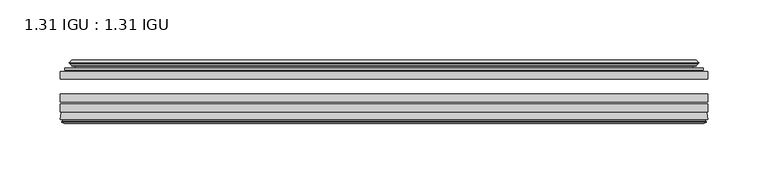
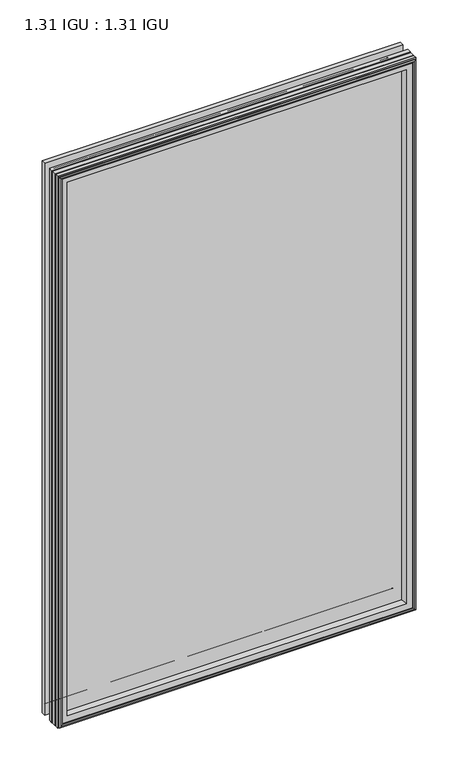
"""IFC4 building model written with IfcOpenShell, lengths in millimetres: plate geometry, 1.31 IGU : 1.31 IGU."""

from ifc_helpers import new_model, si_unit, frame, origin, place, context, project, spatial, polyline, ellipse_curve, outline, extrude, source, transform, mapped, element, save
from ifc_brep_helpers import plane_surface, cylinder_surface, revolved_surface, advanced_brep


def plate_1_31_igu_1_31_igu_f85e6aec(model_context):
    return source(origin(), model_context, "Body", "SolidModel", [
        extrude(outline(polyline([(268.2193626, -51.7723437), (268.2193626, -58.1223438), (-268.2863094, -58.1223438), (-268.2863094, -51.7723437), (268.2193626, -51.7723437)])), frame((0.0, 0.0, -14.2875), z_axis=(0.0, 0.0, 1.0), x_axis=(1.0, 0.0, 0.0)), (0.0, 0.0, 1.0), 873.125),
        extrude(outline(polyline([(-268.2863094, -85.4273438), (-268.2863094, -79.0773437), (268.2193626, -79.0773437), (268.2193626, -85.4273438), (-268.2863094, -85.4273438)])), frame((0.0, 0.0, -14.2875), z_axis=(0.0, 0.0, 1.0), x_axis=(1.0, 0.0, 0.0)), (0.0, 0.0, 1.0), 873.125),
        extrude(outline(polyline([(-268.2863094, -77.1723438), (-268.2863094, -70.8223438), (268.2193626, -70.8223438), (268.2193626, -77.1723438), (-268.2863094, -77.1723438)])), frame((0.0, 0.0, -14.2875), z_axis=(0.0, 0.0, 1.0), x_axis=(1.0, 0.0, 0.0)), (0.0, 0.0, 1.0), 873.125),
        advanced_brep(
        [(-268.2990094, -91.7773437, 858.8502), (-267.6042256, -86.1187838, 858.1554162), (-267.6042256, -86.1187838, -13.6054162), (-268.2990094, -91.7773437, -14.3002), (-265.9114094, -93.768408, 856.4626), (-266.3686094, -91.7773437, 856.9198), (-266.3686094, -91.7773437, -12.3698), (-265.9114094, -93.768408, -11.9126), (-266.9127712, -93.5000939, 857.4639619), (-266.9127712, -93.5000939, -12.9139619), (-267.1560094, -94.407871, 857.7072), (-267.1560094, -94.407871, -13.1572), (-265.1240094, -94.9523437, 855.6752), (-265.1240094, -94.9523437, -11.1252), (-263.0920094, -94.407871, 853.6432), (-263.0920094, -94.407871, -9.0932), (-263.3352475, -93.5000939, 853.8864381), (-263.3352475, -93.5000939, -9.3364381), (-264.3366094, -93.768408, 854.8878), (-264.3366094, -93.768408, -10.3378), (-263.8794094, -91.7773437, 854.4306), (-263.8794094, -91.7773437, -9.8806), (-249.8097879, -85.4273437, 840.3609786), (-253.9988094, -91.7773437, 844.55), (-253.9988094, -91.7773437, 0.0), (-249.8097879, -85.4273437, 4.1890214), (-266.8226947, -85.4273437, 857.3738854), (-266.8226947, -85.4273437, -12.8238854), (267.6042256, -86.1187838, -13.6054162), (268.2990094, -91.7773437, -14.3002), (266.3686094, -91.7773437, -12.3698), (265.9114094, -93.768408, -11.9126), (266.9127712, -93.5000939, -12.9139619), (267.1560094, -94.407871, -13.1572), (265.1240094, -94.9523437, -11.1252), (263.0920094, -94.407871, -9.0932), (263.3352475, -93.5000939, -9.3364381), (264.3366094, -93.768408, -10.3378), (263.8794094, -91.7773437, -9.8806), (253.9988094, -91.7773437, 0.0), (249.8097879, -85.4273437, 4.1890214), (266.8226947, -85.4273437, -12.8238854), (267.6042256, -86.1187838, 858.1554162), (268.2990094, -91.7773437, 858.8502), (266.3686094, -91.7773437, 856.9198), (265.9114094, -93.768408, 856.4626), (266.9127712, -93.5000939, 857.4639619), (267.1560094, -94.407871, 857.7072), (265.1240094, -94.9523437, 855.6752), (263.0920094, -94.407871, 853.6432), (263.3352475, -93.5000939, 853.8864381), (264.3366094, -93.768408, 854.8878), (263.8794094, -91.7773437, 854.4306), (253.9988094, -91.7773437, 844.55), (249.8097879, -85.4273437, 840.3609786), (266.8226947, -85.4273437, 857.3738854)],
        [
            (0, 1),
            (1, 2),
            (2, 3),
            (3, 0),
            (4, 5),
            (5, 6),
            (6, 7),
            (7, 4),
            (8, 4),
            (7, 9),
            (9, 8),
            (10, 8),
            (9, 11),
            (11, 10),
            (12, 10),
            (11, 13),
            (13, 12),
            (14, 12),
            (13, 15),
            (15, 14),
            (16, 14),
            (15, 17),
            (17, 16),
            (18, 16),
            (17, 19),
            (19, 18),
            (20, 18),
            (19, 21),
            (21, 20),
            (22, 23, ellipse_curve(frame((-247.0149154, -91.8278132, 837.566106), z_axis=(0.7071067811865475, 0.0, 0.7071067811865475), x_axis=(0.7071067811865474, 0.0, -0.7071067811865476)), 9.8769754, 6.9840763)),
            (23, 24),
            (24, 25, ellipse_curve(frame((-247.0149154, -91.8278132, 6.983894), z_axis=(0.7071067811865475, 0.0, -0.7071067811865475), x_axis=(-0.7071067811865474, 0.0, -0.7071067811865476)), 9.8769754, 6.9840763)),
            (25, 22),
            (1, 26, ellipse_curve(frame((-266.8226947, -86.2147437, 857.3738854), z_axis=(-0.7071067811865475, 0.0, -0.7071067811865475), x_axis=(-0.7071067811865474, 0.0, 0.7071067811865476)), 1.1135518, 0.7874)),
            (26, 27),
            (27, 2, ellipse_curve(frame((-266.8226947, -86.2147437, -12.8238854), z_axis=(-0.7071067811865475, 0.0, 0.7071067811865475), x_axis=(0.7071067811865474, 0.0, 0.7071067811865476)), 1.1135518, 0.7874)),
            (2, 28),
            (28, 29),
            (29, 3),
            (6, 30),
            (30, 31),
            (31, 7),
            (31, 32),
            (32, 9),
            (32, 33),
            (33, 11),
            (33, 34),
            (34, 13),
            (34, 35),
            (35, 15),
            (35, 36),
            (36, 17),
            (36, 37),
            (37, 19),
            (37, 38),
            (38, 21),
            (24, 39),
            (39, 40, ellipse_curve(frame((247.0149154, -91.8278132, 6.983894), z_axis=(0.7071067811865475, 0.0, 0.7071067811865475), x_axis=(0.7071067811865476, 0.0, -0.7071067811865474)), 9.8769754, 6.9840763)),
            (40, 25),
            (27, 41),
            (41, 28, ellipse_curve(frame((266.8226947, -86.2147437, -12.8238854), z_axis=(-0.7071067811865475, 0.0, -0.7071067811865475), x_axis=(-0.7071067811865476, 0.0, 0.7071067811865474)), 1.1135518, 0.7874)),
            (28, 42),
            (42, 43),
            (43, 29),
            (30, 44),
            (44, 45),
            (45, 31),
            (45, 46),
            (46, 32),
            (46, 47),
            (47, 33),
            (47, 48),
            (48, 34),
            (48, 49),
            (49, 35),
            (49, 50),
            (50, 36),
            (50, 51),
            (51, 37),
            (51, 52),
            (52, 38),
            (39, 53),
            (53, 54, ellipse_curve(frame((247.0149154, -91.8278132, 837.566106), z_axis=(-0.7071067811865475, 0.0, 0.7071067811865475), x_axis=(0.7071067811865474, 0.0, 0.7071067811865476)), 9.8769754, 6.9840763)),
            (54, 40),
            (41, 55),
            (55, 42, ellipse_curve(frame((266.8226947, -86.2147437, 857.3738854), z_axis=(0.7071067811865475, 0.0, -0.7071067811865475), x_axis=(-0.7071067811865474, 0.0, -0.7071067811865476)), 1.1135518, 0.7874)),
            (42, 1),
            (0, 43),
            (5, 44),
            (4, 45),
            (8, 46),
            (10, 47),
            (12, 48),
            (14, 49),
            (16, 50),
            (18, 51),
            (20, 52),
            (23, 53),
            (22, 54),
            (26, 55),
        ],
        [
            plane_surface(frame((-267.6042256, -86.1187838, 858.1554162), z_axis=(-0.9925461516413241, 0.12186934340513107, 0.0), x_axis=(0.0, 0.0, -1.0))),
            plane_surface(frame((-266.3686094, -91.7773437, 856.9198), z_axis=(-0.9746347637895992, -0.2238014236165451, 0.0), x_axis=(0.0, 0.0, -1.0))),
            plane_surface(frame((-265.9114094, -93.768408, 856.4626), z_axis=(0.2588190451026679, 0.9659258262890289, 0.0), x_axis=(0.0, 0.0, -1.0))),
            plane_surface(frame((-266.9127712, -93.5000939, 857.4639619), z_axis=(-0.9659258262890449, 0.25881904510260834, 0.0), x_axis=(0.0, 0.0, -1.0))),
            plane_surface(frame((-267.1560094, -94.407871, 857.7072), z_axis=(-0.2588190451025046, -0.9659258262890726, 0.0), x_axis=(0.0, 0.0, -1.0))),
            plane_surface(frame((-265.1240094, -94.9523437, 855.6752), z_axis=(0.25881904510247894, -0.9659258262890795, 0.0), x_axis=(0.0, 0.0, -1.0))),
            plane_surface(frame((-263.0920094, -94.407871, 853.6432), z_axis=(0.9659258262890272, 0.258819045102674, 0.0), x_axis=(0.0, 0.0, -1.0))),
            plane_surface(frame((-263.3352475, -93.5000939, 853.8864381), z_axis=(-0.2588190451023417, 0.9659258262891163, 0.0), x_axis=(0.0, 0.0, -1.0))),
            plane_surface(frame((-264.3366094, -93.768408, 854.8878), z_axis=(0.9746347637895936, -0.2238014236165695, 0.0), x_axis=(0.0, 0.0, -1.0))),
            revolved_surface(polyline([(-253.9989917, -91.8278132, -0.00018228295277822326), (-253.9989917, -91.8278132, 844.5501822829527)]), (-247.0149154, -91.8278132, 876.3), (0.0, 0.0, -1.0)),
            cylinder_surface(frame((-266.8226947, -86.2147437, 876.3), z_axis=(0.0, 0.0, 1.0), x_axis=(-1.0, 0.0, 0.0)), 0.7874),
            plane_surface(frame((-267.6042256, -86.1187838, -13.6054162), z_axis=(0.0, 0.12186934340512784, -0.9925461516413245), x_axis=(1.0, 0.0, 0.0))),
            plane_surface(frame((-266.3686094, -91.7773437, -12.3698), z_axis=(0.0, -0.22380142361654826, -0.9746347637895985), x_axis=(1.0, 0.0, 0.0))),
            plane_surface(frame((-265.9114094, -93.768408, -11.9126), z_axis=(0.0, 0.9659258262890298, 0.25881904510266474), x_axis=(1.0, 0.0, 0.0))),
            plane_surface(frame((-266.9127712, -93.5000939, -12.9139619), z_axis=(0.0, 0.25881904510260517, -0.9659258262890458), x_axis=(1.0, 0.0, 0.0))),
            plane_surface(frame((-267.1560094, -94.407871, -13.1572), z_axis=(0.0, -0.9659258262890735, -0.2588190451025014), x_axis=(1.0, 0.0, 0.0))),
            plane_surface(frame((-265.1240094, -94.9523437, -11.1252), z_axis=(0.0, -0.9659258262890786, 0.2588190451024821), x_axis=(1.0, 0.0, 0.0))),
            plane_surface(frame((-263.0920094, -94.407871, -9.0932), z_axis=(0.0, 0.2588190451026772, 0.9659258262890265), x_axis=(1.0, 0.0, 0.0))),
            plane_surface(frame((-263.3352475, -93.5000939, -9.3364381), z_axis=(0.0, 0.9659258262891154, -0.2588190451023449), x_axis=(1.0, 0.0, 0.0))),
            plane_surface(frame((-264.3366094, -93.768408, -10.3378), z_axis=(0.0, -0.22380142361656633, 0.9746347637895943), x_axis=(1.0, 0.0, 0.0))),
            revolved_surface(polyline([(253.9989916829528, -91.8278132, -0.00018229999999963553), (-253.99899168295272, -91.8278132, -0.00018229999999963553)]), (-285.7488094, -91.8278132, 6.983894), (1.0, 0.0, 0.0)),
            cylinder_surface(frame((-285.7488094, -86.2147437, -12.8238854), z_axis=(-1.0, 0.0, 0.0), x_axis=(0.0, 0.0, -1.0)), 0.7874),
            plane_surface(frame((267.6042256, -86.1187838, -13.6054162), z_axis=(0.992546151641325, 0.1218693434051246, 0.0), x_axis=(0.0, 0.0, 1.0))),
            plane_surface(frame((266.3686094, -91.7773437, -12.3698), z_axis=(0.9746347637895977, -0.22380142361655142, 0.0), x_axis=(0.0, 0.0, 1.0))),
            plane_surface(frame((265.9114094, -93.768408, -11.9126), z_axis=(-0.25881904510266157, 0.9659258262890307, 0.0), x_axis=(0.0, 0.0, 1.0))),
            plane_surface(frame((266.9127712, -93.5000939, -12.9139619), z_axis=(0.9659258262890467, 0.258819045102602, 0.0), x_axis=(0.0, 0.0, 1.0))),
            plane_surface(frame((267.1560094, -94.407871, -13.1572), z_axis=(0.25881904510249826, -0.9659258262890744, 0.0), x_axis=(0.0, 0.0, 1.0))),
            plane_surface(frame((265.1240094, -94.9523437, -11.1252), z_axis=(-0.2588190451024853, -0.9659258262890779, 0.0), x_axis=(0.0, 0.0, 1.0))),
            plane_surface(frame((263.0920094, -94.407871, -9.0932), z_axis=(-0.9659258262890256, 0.2588190451026804, 0.0), x_axis=(0.0, 0.0, 1.0))),
            plane_surface(frame((263.3352475, -93.5000939, -9.3364381), z_axis=(0.2588190451023481, 0.9659258262891146, 0.0), x_axis=(0.0, 0.0, 1.0))),
            plane_surface(frame((264.3366094, -93.768408, -10.3378), z_axis=(-0.9746347637895951, -0.22380142361656316, 0.0), x_axis=(0.0, 0.0, 1.0))),
            revolved_surface(polyline([(253.9989917, -91.8278132, 844.5501822829527), (253.9989917, -91.8278132, -0.0001822829527107217)]), (247.0149154, -91.8278132, -31.75), (0.0, 0.0, 1.0)),
            cylinder_surface(frame((266.8226947, -86.2147437, -31.75), z_axis=(0.0, 0.0, -1.0), x_axis=(1.0, 0.0, 0.0)), 0.7874),
            plane_surface(frame((267.6042256, -86.1187838, 858.1554162), z_axis=(0.0, 0.12186934340512784, 0.9925461516413245), x_axis=(-1.0, 0.0, 0.0))),
            plane_surface(frame((268.2990094, -91.7773437, 858.8502), z_axis=(0.0, -1.0, 0.0), x_axis=(-1.0, 0.0, 0.0))),
            plane_surface(frame((266.3686094, -91.7773437, 856.9198), z_axis=(0.0, -0.22380142361654826, 0.9746347637895985), x_axis=(-1.0, 0.0, 0.0))),
            plane_surface(frame((265.9114094, -93.768408, 856.4626), z_axis=(0.0, 0.9659258262890298, -0.25881904510266474), x_axis=(-1.0, 0.0, 0.0))),
            plane_surface(frame((266.9127712, -93.5000939, 857.4639619), z_axis=(0.0, 0.25881904510260517, 0.9659258262890458), x_axis=(-1.0, 0.0, 0.0))),
            plane_surface(frame((267.1560094, -94.407871, 857.7072), z_axis=(0.0, -0.9659258262890735, 0.2588190451025014), x_axis=(-1.0, 0.0, 0.0))),
            plane_surface(frame((265.1240094, -94.9523437, 855.6752), z_axis=(0.0, -0.9659258262890787, -0.25881904510248216), x_axis=(-1.0, 0.0, 0.0))),
            plane_surface(frame((263.0920094, -94.407871, 853.6432), z_axis=(0.0, 0.2588190451026772, -0.9659258262890265), x_axis=(-1.0, 0.0, 0.0))),
            plane_surface(frame((263.3352475, -93.5000939, 853.8864381), z_axis=(0.0, 0.9659258262891155, 0.25881904510234494), x_axis=(-1.0, 0.0, 0.0))),
            plane_surface(frame((264.3366094, -93.768408, 854.8878), z_axis=(0.0, -0.22380142361656633, -0.9746347637895943), x_axis=(-1.0, 0.0, 0.0))),
            plane_surface(frame((263.8794094, -91.7773437, 854.4306), z_axis=(0.0, -1.0, 0.0), x_axis=(-1.0, 0.0, 0.0))),
            revolved_surface(polyline([(-253.9989916829528, -91.8278132, 844.5501823), (253.99899168295272, -91.8278132, 844.5501823)]), (285.7488094, -91.8278132, 837.566106), (-1.0, 0.0, 0.0)),
            plane_surface(frame((249.8097879, -85.4273437, 840.3609786), z_axis=(0.0, 1.0, 0.0), x_axis=(-1.0, 0.0, 0.0))),
            cylinder_surface(frame((285.7488094, -86.2147437, 857.3738854), z_axis=(1.0, 0.0, 0.0), x_axis=(0.0, 0.0, 1.0)), 0.7874),
        ],
        [
            (0, [[1, 2, 3, 4]]),
            (1, [[5, 6, 7, 8]]),
            (2, [[9, -8, 10, 11]]),
            (3, [[12, -11, 13, 14]]),
            (4, [[15, -14, 16, 17]]),
            (5, [[18, -17, 19, 20]]),
            (6, [[21, -20, 22, 23]]),
            (7, [[24, -23, 25, 26]]),
            (8, [[27, -26, 28, 29]]),
            (9, [[30, 31, 32, 33]]),
            (10, [[34, 35, 36, -2]]),
            (11, [[-3, 37, 38, 39]]),
            (12, [[-7, 40, 41, 42]]),
            (13, [[-10, -42, 43, 44]]),
            (14, [[-13, -44, 45, 46]]),
            (15, [[-16, -46, 47, 48]]),
            (16, [[-19, -48, 49, 50]]),
            (17, [[-22, -50, 51, 52]]),
            (18, [[-25, -52, 53, 54]]),
            (19, [[-28, -54, 55, 56]]),
            (20, [[-32, 57, 58, 59]]),
            (21, [[-36, 60, 61, -37]]),
            (22, [[-38, 62, 63, 64]]),
            (23, [[-41, 65, 66, 67]]),
            (24, [[-43, -67, 68, 69]]),
            (25, [[-45, -69, 70, 71]]),
            (26, [[-47, -71, 72, 73]]),
            (27, [[-49, -73, 74, 75]]),
            (28, [[-51, -75, 76, 77]]),
            (29, [[-53, -77, 78, 79]]),
            (30, [[-55, -79, 80, 81]]),
            (31, [[-58, 82, 83, 84]]),
            (32, [[-61, 85, 86, -62]]),
            (33, [[-63, 87, -1, 88]]),
            (34, [[-39, -64, -88, -4], [89, -65, -40, -6]]),
            (35, [[-66, -89, -5, 90]]),
            (36, [[-68, -90, -9, 91]]),
            (37, [[-70, -91, -12, 92]]),
            (38, [[-72, -92, -15, 93]]),
            (39, [[-74, -93, -18, 94]]),
            (40, [[-76, -94, -21, 95]]),
            (41, [[-78, -95, -24, 96]]),
            (42, [[-80, -96, -27, 97]]),
            (43, [[-56, -81, -97, -29], [98, -82, -57, -31]]),
            (44, [[-83, -98, -30, 99]]),
            (45, [[100, -85, -60, -35], [-59, -84, -99, -33]]),
            (46, [[-86, -100, -34, -87]]),
        ],
    ),
        advanced_brep(
        [(-249.9510995, -50.6812421, 840.5022902), (-250.3929097, -51.7723437, 840.9441004), (-250.3929097, -51.7723437, 3.6058996), (-249.9510995, -50.6812421, 4.0477098), (-253.9988094, -42.9585437, 844.55), (-253.9988094, -42.9585437, 0.0), (-259.1847202, -44.1396428, 849.7359109), (-259.1847202, -44.1396428, -5.1859109), (-258.855145, -43.3125262, 849.4063356), (-258.855145, -43.3125262, -4.8563356), (-258.855145, -42.4982749, 849.4063356), (-258.855145, -42.4982749, -4.8563356), (-260.6714204, -44.4569108, 851.2226111), (-260.6714204, -44.4569108, -6.6726111), (-260.6714204, -45.1700367, 851.2226111), (-260.6714204, -45.1700367, -6.6726111), (-258.855145, -47.1188911, 849.4063356), (-258.855145, -47.1188911, -4.8563356), (-258.855145, -46.3144213, 849.4063356), (-258.855145, -46.3144213, -4.8563356), (-259.1770595, -45.5065305, 849.7282501), (-259.1770595, -45.5065305, -5.1782501), (-256.6532472, -45.3481387, 847.2044379), (-256.6532472, -45.3481387, -2.6544379), (-255.627431, -46.0358481, 846.1786217), (-255.627431, -46.0358481, -1.6286217), (-255.7458382, -47.4303169, 846.2970288), (-255.7458382, -47.4303169, -1.7470288), (-256.3475841, -48.9275437, 846.8987748), (-256.3475841, -48.9275437, -2.3487748), (-264.2733647, -50.8359667, 854.8245553), (-263.7877339, -48.9275437, 854.3389245), (-263.7877339, -48.9275437, -9.7889245), (-264.2733647, -50.8359667, -10.2745553), (-262.5526248, -51.7723437, 853.1038155), (-262.5526248, -51.7723437, -8.5538155), (250.3929097, -51.7723437, 3.6058996), (249.9510995, -50.6812421, 4.0477098), (253.9988094, -42.9585437, 0.0), (259.1847202, -44.1396428, -5.1859109), (258.855145, -43.3125262, -4.8563356), (258.855145, -42.4982749, -4.8563356), (260.6714204, -44.4569108, -6.6726111), (260.6714204, -45.1700367, -6.6726111), (258.855145, -47.1188911, -4.8563356), (258.855145, -46.3144213, -4.8563356), (259.1770595, -45.5065305, -5.1782501), (256.6532472, -45.3481387, -2.6544379), (255.627431, -46.0358481, -1.6286217), (255.7458382, -47.4303169, -1.7470288), (256.3475841, -48.9275437, -2.3487748), (263.7877339, -48.9275437, -9.7889245), (264.2733647, -50.8359667, -10.2745553), (262.5526248, -51.7723437, -8.5538155), (250.3929097, -51.7723437, 840.9441004), (249.9510995, -50.6812421, 840.5022902), (253.9988094, -42.9585437, 844.55), (259.1847202, -44.1396428, 849.7359109), (258.855145, -43.3125262, 849.4063356), (258.855145, -42.4982749, 849.4063356), (260.6714204, -44.4569108, 851.2226111), (260.6714204, -45.1700367, 851.2226111), (258.855145, -47.1188911, 849.4063356), (258.855145, -46.3144213, 849.4063356), (259.1770595, -45.5065305, 849.7282501), (256.6532472, -45.3481387, 847.2044379), (255.627431, -46.0358481, 846.1786217), (255.7458382, -47.4303169, 846.2970288), (256.3475841, -48.9275437, 846.8987748), (263.7877339, -48.9275437, 854.3389245), (264.2733647, -50.8359667, 854.8245553), (262.5526248, -51.7723437, 853.1038155)],
        [
            (0, 1, ellipse_curve(frame((-250.3929097, -51.1373437, 840.9441004), z_axis=(-0.7071067811865475, 0.0, -0.7071067811865475), x_axis=(-0.7071067811865474, 0.0, 0.7071067811865476)), 0.8980256, 0.635)),
            (1, 2),
            (2, 3, ellipse_curve(frame((-250.3929097, -51.1373437, 3.6058996), z_axis=(-0.7071067811865475, 0.0, 0.7071067811865475), x_axis=(0.7071067811865474, 0.0, 0.7071067811865476)), 0.8980256, 0.635)),
            (3, 0),
            (4, 0, ellipse_curve(frame((-240.2660148, -40.6828682, 830.8172054), z_axis=(0.7071067811865475, 0.0, 0.7071067811865475), x_axis=(0.7071067811865474, 0.0, -0.7071067811865476)), 19.6859517, 13.9200699)),
            (3, 5, ellipse_curve(frame((-240.2660148, -40.6828682, 13.7327946), z_axis=(0.7071067811865475, 0.0, -0.7071067811865475), x_axis=(-0.7071067811865474, 0.0, -0.7071067811865476)), 19.6859517, 13.9200699)),
            (5, 4),
            (6, 4),
            (5, 7),
            (7, 6),
            (8, 6),
            (7, 9),
            (9, 8),
            (10, 8),
            (9, 11),
            (11, 10),
            (12, 10),
            (11, 13),
            (13, 12),
            (14, 12, ellipse_curve(frame((-260.3095823, -44.8134737, 850.8607729), z_axis=(-0.7071067811865475, 0.0, -0.7071067811865475), x_axis=(-0.7071067811865474, 0.0, 0.7071067811865476)), 0.7184205, 0.508)),
            (13, 15, ellipse_curve(frame((-260.3095823, -44.8134737, -6.3107729), z_axis=(-0.7071067811865475, 0.0, 0.7071067811865475), x_axis=(0.7071067811865474, 0.0, 0.7071067811865476)), 0.7184205, 0.508)),
            (15, 14),
            (16, 14),
            (15, 17),
            (17, 16),
            (18, 16),
            (17, 19),
            (19, 18),
            (20, 18),
            (19, 21),
            (21, 20),
            (22, 20),
            (21, 23),
            (23, 22),
            (24, 22, ellipse_curve(frame((-256.5896094, -46.3621437, 847.1408), z_axis=(0.7071067811865475, 0.0, 0.7071067811865475), x_axis=(0.7071067811865474, 0.0, -0.7071067811865476)), 1.436841, 1.016)),
            (23, 25, ellipse_curve(frame((-256.5896094, -46.3621437, -2.5908), z_axis=(0.7071067811865475, 0.0, -0.7071067811865475), x_axis=(-0.7071067811865474, 0.0, -0.7071067811865476)), 1.436841, 1.016)),
            (25, 24),
            (26, 24, ellipse_curve(frame((-257.9612094, -46.5399437, 848.5124), z_axis=(0.7071067811865475, 0.0, 0.7071067811865475), x_axis=(0.7071067811865474, 0.0, -0.7071067811865476)), 3.3765763, 2.3876)),
            (25, 27, ellipse_curve(frame((-257.9612094, -46.5399437, -3.9624), z_axis=(0.7071067811865475, 0.0, -0.7071067811865475), x_axis=(-0.7071067811865474, 0.0, -0.7071067811865476)), 3.3765763, 2.3876)),
            (27, 26),
            (28, 26),
            (27, 29),
            (29, 28),
            (30, 31, ellipse_curve(frame((-263.7877339, -49.9435437, 854.3389245), z_axis=(-0.7071067811865475, 0.0, -0.7071067811865475), x_axis=(-0.7071067811865474, 0.0, 0.7071067811865476)), 1.436841, 1.016)),
            (31, 32),
            (32, 33, ellipse_curve(frame((-263.7877339, -49.9435437, -9.7889245), z_axis=(-0.7071067811865475, 0.0, 0.7071067811865475), x_axis=(0.7071067811865474, 0.0, 0.7071067811865476)), 1.436841, 1.016)),
            (33, 30),
            (34, 30),
            (33, 35),
            (35, 34),
            (2, 36),
            (36, 37, ellipse_curve(frame((250.3929097, -51.1373437, 3.6058996), z_axis=(-0.7071067811865475, 0.0, -0.7071067811865475), x_axis=(-0.7071067811865476, 0.0, 0.7071067811865474)), 0.8980256, 0.635)),
            (37, 3),
            (37, 38, ellipse_curve(frame((240.2660148, -40.6828682, 13.7327946), z_axis=(0.7071067811865475, 0.0, 0.7071067811865475), x_axis=(0.7071067811865476, 0.0, -0.7071067811865474)), 19.6859517, 13.9200699)),
            (38, 5),
            (38, 39),
            (39, 7),
            (39, 40),
            (40, 9),
            (40, 41),
            (41, 11),
            (41, 42),
            (42, 13),
            (42, 43, ellipse_curve(frame((260.3095823, -44.8134737, -6.3107729), z_axis=(-0.7071067811865475, 0.0, -0.7071067811865475), x_axis=(-0.7071067811865476, 0.0, 0.7071067811865474)), 0.7184205, 0.508)),
            (43, 15),
            (43, 44),
            (44, 17),
            (44, 45),
            (45, 19),
            (45, 46),
            (46, 21),
            (46, 47),
            (47, 23),
            (47, 48, ellipse_curve(frame((256.5896094, -46.3621437, -2.5908), z_axis=(0.7071067811865475, 0.0, 0.7071067811865475), x_axis=(0.7071067811865476, 0.0, -0.7071067811865474)), 1.436841, 1.016)),
            (48, 25),
            (48, 49, ellipse_curve(frame((257.9612094, -46.5399437, -3.9624), z_axis=(0.7071067811865475, 0.0, 0.7071067811865475), x_axis=(0.7071067811865476, 0.0, -0.7071067811865474)), 3.3765763, 2.3876)),
            (49, 27),
            (49, 50),
            (50, 29),
            (32, 51),
            (51, 52, ellipse_curve(frame((263.7877339, -49.9435437, -9.7889245), z_axis=(-0.7071067811865475, 0.0, -0.7071067811865475), x_axis=(-0.7071067811865476, 0.0, 0.7071067811865474)), 1.436841, 1.016)),
            (52, 33),
            (52, 53),
            (53, 35),
            (36, 54),
            (54, 55, ellipse_curve(frame((250.3929097, -51.1373437, 840.9441004), z_axis=(0.7071067811865475, 0.0, -0.7071067811865475), x_axis=(-0.7071067811865474, 0.0, -0.7071067811865476)), 0.8980256, 0.635)),
            (55, 37),
            (55, 56, ellipse_curve(frame((240.2660148, -40.6828682, 830.8172054), z_axis=(-0.7071067811865475, 0.0, 0.7071067811865475), x_axis=(0.7071067811865474, 0.0, 0.7071067811865476)), 19.6859517, 13.9200699)),
            (56, 38),
            (56, 57),
            (57, 39),
            (57, 58),
            (58, 40),
            (58, 59),
            (59, 41),
            (59, 60),
            (60, 42),
            (60, 61, ellipse_curve(frame((260.3095823, -44.8134737, 850.8607729), z_axis=(0.7071067811865475, 0.0, -0.7071067811865475), x_axis=(-0.7071067811865474, 0.0, -0.7071067811865476)), 0.7184205, 0.508)),
            (61, 43),
            (61, 62),
            (62, 44),
            (62, 63),
            (63, 45),
            (63, 64),
            (64, 46),
            (64, 65),
            (65, 47),
            (65, 66, ellipse_curve(frame((256.5896094, -46.3621437, 847.1408), z_axis=(-0.7071067811865475, 0.0, 0.7071067811865475), x_axis=(0.7071067811865474, 0.0, 0.7071067811865476)), 1.436841, 1.016)),
            (66, 48),
            (66, 67, ellipse_curve(frame((257.9612094, -46.5399437, 848.5124), z_axis=(-0.7071067811865475, 0.0, 0.7071067811865475), x_axis=(0.7071067811865474, 0.0, 0.7071067811865476)), 3.3765763, 2.3876)),
            (67, 49),
            (67, 68),
            (68, 50),
            (51, 69),
            (69, 70, ellipse_curve(frame((263.7877339, -49.9435437, 854.3389245), z_axis=(0.7071067811865475, 0.0, -0.7071067811865475), x_axis=(-0.7071067811865474, 0.0, -0.7071067811865476)), 1.436841, 1.016)),
            (70, 52),
            (70, 71),
            (71, 53),
            (54, 1),
            (0, 55),
            (4, 56),
            (6, 57),
            (8, 58),
            (10, 59),
            (12, 60),
            (14, 61),
            (16, 62),
            (18, 63),
            (20, 64),
            (22, 65),
            (24, 66),
            (26, 67),
            (28, 68),
            (31, 69),
            (30, 70),
            (34, 71),
        ],
        [
            cylinder_surface(frame((-250.3929097, -51.1373437, 876.3), z_axis=(0.0, 0.0, 1.0), x_axis=(-1.0, 0.0, 0.0)), 0.635),
            revolved_surface(polyline([(-254.18608469999998, -40.6828682, -0.18727534118079348), (-254.18608469999998, -40.6828682, 844.7372753411809)]), (-240.2660148, -40.6828682, 876.3), (0.0, 0.0, -1.0)),
            plane_surface(frame((-253.9988094, -42.9585437, 844.55), z_axis=(-0.22206498442778802, 0.9750318675259215, 0.0), x_axis=(0.0, 0.0, -1.0))),
            plane_surface(frame((-259.1847202, -44.1396428, 849.7359109), z_axis=(0.9289682685629942, -0.3701593656833133, 0.0), x_axis=(0.0, 0.0, -1.0))),
            plane_surface(frame((-258.855145, -43.3125262, 849.4063356), z_axis=(1.0, 0.0, 0.0), x_axis=(0.0, 0.0, -1.0))),
            plane_surface(frame((-258.855145, -42.4982749, 849.4063356), z_axis=(-0.7332521292723948, 0.6799568478348456, 0.0), x_axis=(0.0, 0.0, -1.0))),
            cylinder_surface(frame((-260.3095823, -44.8134737, 876.3), z_axis=(0.0, 0.0, 1.0), x_axis=(-1.0, 0.0, 0.0)), 0.508),
            plane_surface(frame((-260.6714204, -45.1700367, 851.2226111), z_axis=(-0.7315522693036389, -0.6817853601220082, 0.0), x_axis=(0.0, 0.0, -1.0))),
            plane_surface(frame((-258.855145, -47.1188911, 849.4063356), z_axis=(1.0, 0.0, 0.0), x_axis=(0.0, 0.0, -1.0))),
            plane_surface(frame((-258.855145, -46.3144213, 849.4063356), z_axis=(0.9289682685631103, 0.37015936568302166, 0.0), x_axis=(0.0, 0.0, -1.0))),
            plane_surface(frame((-259.1770595, -45.5065305, 849.7282501), z_axis=(0.06263570119321643, -0.9980364567169048, 0.0), x_axis=(0.0, 0.0, -1.0))),
            revolved_surface(polyline([(-257.6056094, -46.3621437, -3.606800014586838), (-257.6056094, -46.3621437, 848.1568000145869)]), (-256.5896094, -46.3621437, 876.3), (0.0, 0.0, -1.0)),
            revolved_surface(polyline([(-260.3488094, -46.5399437, -6.3499999989237494), (-260.3488094, -46.5399437, 850.8999999989237)]), (-257.9612094, -46.5399437, 876.3), (0.0, 0.0, -1.0)),
            plane_surface(frame((-255.7458382, -47.4303169, 846.2970288), z_axis=(-0.927865292542892, 0.3729155385530262, 0.0), x_axis=(0.0, 0.0, -1.0))),
            cylinder_surface(frame((-263.7877339, -49.9435437, 876.3), z_axis=(0.0, 0.0, 1.0), x_axis=(-1.0, 0.0, 0.0)), 1.016),
            plane_surface(frame((-264.2733647, -50.8359667, 854.8245553), z_axis=(-0.477983117370979, -0.8783690223979446, 0.0), x_axis=(0.0, 0.0, -1.0))),
            cylinder_surface(frame((-285.7488094, -51.1373437, 3.6058996), z_axis=(-1.0, 0.0, 0.0), x_axis=(0.0, 0.0, -1.0)), 0.635),
            revolved_surface(polyline([(254.18608474118082, -40.6828682, -0.1872752999999996), (-254.18608474118082, -40.6828682, -0.1872752999999996)]), (-285.7488094, -40.6828682, 13.7327946), (1.0, 0.0, 0.0)),
            plane_surface(frame((-253.9988094, -42.9585437, 0.0), z_axis=(0.0, 0.9750318675259209, -0.2220649844277912), x_axis=(1.0, 0.0, 0.0))),
            plane_surface(frame((-259.1847202, -44.1396428, -5.1859109), z_axis=(0.0, -0.3701593656833103, 0.9289682685629954), x_axis=(1.0, 0.0, 0.0))),
            plane_surface(frame((-258.855145, -43.3125262, -4.8563356), z_axis=(0.0, 0.0, 1.0), x_axis=(1.0, 0.0, 0.0))),
            plane_surface(frame((-258.855145, -42.4982749, -4.8563356), z_axis=(0.0, 0.6799568478348431, -0.733252129272397), x_axis=(1.0, 0.0, 0.0))),
            cylinder_surface(frame((-285.7488094, -44.8134737, -6.3107729), z_axis=(-1.0, 0.0, 0.0), x_axis=(0.0, 0.0, -1.0)), 0.508),
            plane_surface(frame((-260.6714204, -45.1700367, -6.6726111), z_axis=(0.0, -0.6817853601220105, -0.7315522693036367), x_axis=(1.0, 0.0, 0.0))),
            plane_surface(frame((-258.855145, -47.1188911, -4.8563356), z_axis=(0.0, 0.0, 1.0), x_axis=(1.0, 0.0, 0.0))),
            plane_surface(frame((-258.855145, -46.3144213, -4.8563356), z_axis=(0.0, 0.37015936568302465, 0.9289682685631091), x_axis=(1.0, 0.0, 0.0))),
            plane_surface(frame((-259.1770595, -45.5065305, -5.1782501), z_axis=(0.0, -0.9980364567169046, 0.06263570119321968), x_axis=(1.0, 0.0, 0.0))),
            revolved_surface(polyline([(257.60560941458687, -46.3621437, -3.6068000000000002), (-257.6056094145868, -46.3621437, -3.6068000000000002)]), (-285.7488094, -46.3621437, -2.5908), (1.0, 0.0, 0.0)),
            revolved_surface(polyline([(260.34880939892366, -46.5399437, -6.35), (-260.3488093989238, -46.5399437, -6.35)]), (-285.7488094, -46.5399437, -3.9624), (1.0, 0.0, 0.0)),
            plane_surface(frame((-255.7458382, -47.4303169, -1.7470288), z_axis=(0.0, 0.37291553855302323, -0.9278652925428932), x_axis=(1.0, 0.0, 0.0))),
            cylinder_surface(frame((-285.7488094, -49.9435437, -9.7889245), z_axis=(-1.0, 0.0, 0.0), x_axis=(0.0, 0.0, -1.0)), 1.016),
            plane_surface(frame((-264.2733647, -50.8359667, -10.2745553), z_axis=(0.0, -0.8783690223979462, -0.47798311737097615), x_axis=(1.0, 0.0, 0.0))),
            cylinder_surface(frame((250.3929097, -51.1373437, -31.75), z_axis=(0.0, 0.0, -1.0), x_axis=(1.0, 0.0, 0.0)), 0.635),
            revolved_surface(polyline([(254.18608469999998, -40.6828682, 844.7372753411809), (254.18608469999998, -40.6828682, -0.1872753411808432)]), (240.2660148, -40.6828682, -31.75), (0.0, 0.0, 1.0)),
            plane_surface(frame((253.9988094, -42.9585437, 0.0), z_axis=(0.2220649844277944, 0.9750318675259202, 0.0), x_axis=(0.0, 0.0, 1.0))),
            plane_surface(frame((259.1847202, -44.1396428, -5.1859109), z_axis=(-0.9289682685629966, -0.3701593656833073, 0.0), x_axis=(0.0, 0.0, 1.0))),
            plane_surface(frame((258.855145, -43.3125262, -4.8563356), z_axis=(-1.0, 0.0, 0.0), x_axis=(0.0, 0.0, 1.0))),
            plane_surface(frame((258.855145, -42.4982749, -4.8563356), z_axis=(0.7332521292723992, 0.6799568478348407, 0.0), x_axis=(0.0, 0.0, 1.0))),
            cylinder_surface(frame((260.3095823, -44.8134737, -31.75), z_axis=(0.0, 0.0, -1.0), x_axis=(1.0, 0.0, 0.0)), 0.508),
            plane_surface(frame((260.6714204, -45.1700367, -6.6726111), z_axis=(0.7315522693036345, -0.6817853601220129, 0.0), x_axis=(0.0, 0.0, 1.0))),
            plane_surface(frame((258.855145, -47.1188911, -4.8563356), z_axis=(-1.0, 0.0, 0.0), x_axis=(0.0, 0.0, 1.0))),
            plane_surface(frame((258.855145, -46.3144213, -4.8563356), z_axis=(-0.928968268563108, 0.3701593656830277, 0.0), x_axis=(0.0, 0.0, 1.0))),
            plane_surface(frame((259.1770595, -45.5065305, -5.1782501), z_axis=(-0.06263570119322293, -0.9980364567169043, 0.0), x_axis=(0.0, 0.0, 1.0))),
            revolved_surface(polyline([(257.6056094, -46.3621437, 848.1568000145869), (257.6056094, -46.3621437, -3.606800014586863)]), (256.5896094, -46.3621437, -31.75), (0.0, 0.0, 1.0)),
            revolved_surface(polyline([(260.3488094, -46.5399437, 850.8999999989237), (260.3488094, -46.5399437, -6.349999998923781)]), (257.9612094, -46.5399437, -31.75), (0.0, 0.0, 1.0)),
            plane_surface(frame((255.7458382, -47.4303169, -1.7470288), z_axis=(0.9278652925428944, 0.37291553855302023, 0.0), x_axis=(0.0, 0.0, 1.0))),
            cylinder_surface(frame((263.7877339, -49.9435437, -31.75), z_axis=(0.0, 0.0, -1.0), x_axis=(1.0, 0.0, 0.0)), 1.016),
            plane_surface(frame((264.2733647, -50.8359667, -10.2745553), z_axis=(0.47798311737097327, -0.8783690223979478, 0.0), x_axis=(0.0, 0.0, 1.0))),
            cylinder_surface(frame((285.7488094, -51.1373437, 840.9441004), z_axis=(1.0, 0.0, 0.0), x_axis=(0.0, 0.0, 1.0)), 0.635),
            revolved_surface(polyline([(-254.18608474118082, -40.6828682, 844.7372753000001), (254.18608474118082, -40.6828682, 844.7372753000001)]), (285.7488094, -40.6828682, 830.8172054), (-1.0, 0.0, 0.0)),
            plane_surface(frame((253.9988094, -42.9585437, 844.55), z_axis=(0.0, 0.975031867525921, 0.22206498442779124), x_axis=(-1.0, 0.0, 0.0))),
            plane_surface(frame((259.1847202, -44.1396428, 849.7359109), z_axis=(0.0, -0.3701593656833103, -0.9289682685629954), x_axis=(-1.0, 0.0, 0.0))),
            plane_surface(frame((258.855145, -43.3125262, 849.4063356), z_axis=(0.0, 0.0, -1.0), x_axis=(-1.0, 0.0, 0.0))),
            plane_surface(frame((258.855145, -42.4982749, 849.4063356), z_axis=(0.0, 0.6799568478348431, 0.733252129272397), x_axis=(-1.0, 0.0, 0.0))),
            cylinder_surface(frame((285.7488094, -44.8134737, 850.8607729), z_axis=(1.0, 0.0, 0.0), x_axis=(0.0, 0.0, 1.0)), 0.508),
            plane_surface(frame((260.6714204, -45.1700367, 851.2226111), z_axis=(0.0, -0.6817853601220105, 0.7315522693036367), x_axis=(-1.0, 0.0, 0.0))),
            plane_surface(frame((258.855145, -47.1188911, 849.4063356), z_axis=(0.0, 0.0, -1.0), x_axis=(-1.0, 0.0, 0.0))),
            plane_surface(frame((258.855145, -46.3144213, 849.4063356), z_axis=(0.0, 0.3701593656830247, -0.9289682685631092), x_axis=(-1.0, 0.0, 0.0))),
            plane_surface(frame((259.1770595, -45.5065305, 849.7282501), z_axis=(0.0, -0.9980364567169046, -0.06263570119321968), x_axis=(-1.0, 0.0, 0.0))),
            revolved_surface(polyline([(-257.60560941458687, -46.3621437, 848.1568), (257.6056094145868, -46.3621437, 848.1568)]), (285.7488094, -46.3621437, 847.1408), (-1.0, 0.0, 0.0)),
            revolved_surface(polyline([(-260.34880939892366, -46.5399437, 850.9), (260.3488093989238, -46.5399437, 850.9)]), (285.7488094, -46.5399437, 848.5124), (-1.0, 0.0, 0.0)),
            plane_surface(frame((255.7458382, -47.4303169, 846.2970288), z_axis=(0.0, 0.37291553855302323, 0.9278652925428932), x_axis=(-1.0, 0.0, 0.0))),
            plane_surface(frame((256.3475841, -48.9275437, 846.8987748), z_axis=(0.0, 1.0, 0.0), x_axis=(-1.0, 0.0, 0.0))),
            cylinder_surface(frame((285.7488094, -49.9435437, 854.3389245), z_axis=(1.0, 0.0, 0.0), x_axis=(0.0, 0.0, 1.0)), 1.016),
            plane_surface(frame((264.2733647, -50.8359667, 854.8245553), z_axis=(0.0, -0.8783690223979462, 0.47798311737097615), x_axis=(-1.0, 0.0, 0.0))),
            plane_surface(frame((262.5526248, -51.7723437, 853.1038155), z_axis=(0.0, -1.0, 0.0), x_axis=(-1.0, 0.0, 0.0))),
        ],
        [
            (0, [[1, 2, 3, 4]]),
            (1, [[5, -4, 6, 7]]),
            (2, [[8, -7, 9, 10]]),
            (3, [[11, -10, 12, 13]]),
            (4, [[14, -13, 15, 16]]),
            (5, [[17, -16, 18, 19]]),
            (6, [[20, -19, 21, 22]]),
            (7, [[23, -22, 24, 25]]),
            (8, [[26, -25, 27, 28]]),
            (9, [[29, -28, 30, 31]]),
            (10, [[32, -31, 33, 34]]),
            (11, [[35, -34, 36, 37]]),
            (12, [[38, -37, 39, 40]]),
            (13, [[41, -40, 42, 43]]),
            (14, [[44, 45, 46, 47]]),
            (15, [[48, -47, 49, 50]]),
            (16, [[-3, 51, 52, 53]]),
            (17, [[-6, -53, 54, 55]]),
            (18, [[-9, -55, 56, 57]]),
            (19, [[-12, -57, 58, 59]]),
            (20, [[-15, -59, 60, 61]]),
            (21, [[-18, -61, 62, 63]]),
            (22, [[-21, -63, 64, 65]]),
            (23, [[-24, -65, 66, 67]]),
            (24, [[-27, -67, 68, 69]]),
            (25, [[-30, -69, 70, 71]]),
            (26, [[-33, -71, 72, 73]]),
            (27, [[-36, -73, 74, 75]]),
            (28, [[-39, -75, 76, 77]]),
            (29, [[-42, -77, 78, 79]]),
            (30, [[-46, 80, 81, 82]]),
            (31, [[-49, -82, 83, 84]]),
            (32, [[-52, 85, 86, 87]]),
            (33, [[-54, -87, 88, 89]]),
            (34, [[-56, -89, 90, 91]]),
            (35, [[-58, -91, 92, 93]]),
            (36, [[-60, -93, 94, 95]]),
            (37, [[-62, -95, 96, 97]]),
            (38, [[-64, -97, 98, 99]]),
            (39, [[-66, -99, 100, 101]]),
            (40, [[-68, -101, 102, 103]]),
            (41, [[-70, -103, 104, 105]]),
            (42, [[-72, -105, 106, 107]]),
            (43, [[-74, -107, 108, 109]]),
            (44, [[-76, -109, 110, 111]]),
            (45, [[-78, -111, 112, 113]]),
            (46, [[-81, 114, 115, 116]]),
            (47, [[-83, -116, 117, 118]]),
            (48, [[-86, 119, -1, 120]]),
            (49, [[-88, -120, -5, 121]]),
            (50, [[-90, -121, -8, 122]]),
            (51, [[-92, -122, -11, 123]]),
            (52, [[-94, -123, -14, 124]]),
            (53, [[-96, -124, -17, 125]]),
            (54, [[-98, -125, -20, 126]]),
            (55, [[-100, -126, -23, 127]]),
            (56, [[-102, -127, -26, 128]]),
            (57, [[-104, -128, -29, 129]]),
            (58, [[-106, -129, -32, 130]]),
            (59, [[-108, -130, -35, 131]]),
            (60, [[-110, -131, -38, 132]]),
            (61, [[-112, -132, -41, 133]]),
            (62, [[134, -114, -80, -45], [-79, -113, -133, -43]]),
            (63, [[-115, -134, -44, 135]]),
            (64, [[-117, -135, -48, 136]]),
            (65, [[-84, -118, -136, -50], [-119, -85, -51, -2]]),
        ],
    ),
    ])


if __name__ == "__main__":
    model = new_model("IFC4")
    model_context = context("Model", 3, world=origin())
    ifc_project = project(units=[si_unit("LENGTHUNIT", "METRE", prefix="MILLI")], contexts=[model_context])
    site = spatial("IfcSite", under=ifc_project)
    building = spatial("IfcBuilding", under=site)
    placement = place(None, origin())
    plate_1_31_igu_1_31_igu_shape = plate_1_31_igu_1_31_igu_f85e6aec(model_context)
    element("IfcPlate", 1, ObjectType="1.31 IGU : 1.31 IGU", at=placement, inside=building, context=model_context, shape_type="MappedRepresentation", body=[
        mapped(plate_1_31_igu_1_31_igu_shape, transform((0.0, 0.0, 0.0), x_axis=(1.0, 0.0, 0.0), y_axis=(0.0, 1.0, 0.0), z_axis=(0.0, 0.0, 1.0))),
    ])
    save(model, "model.ifc")
